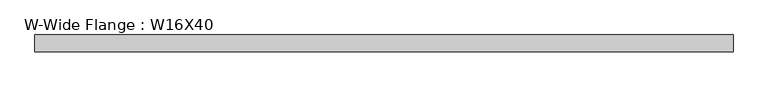
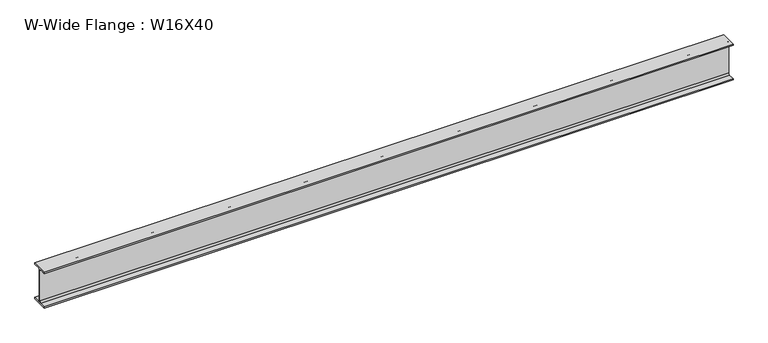
"""IFC4 building model written with IfcOpenShell, lengths in millimetres: beam geometry, W-Wide Flange : W16X40."""

from ifc_helpers import new_model, si_unit, point, frame, frame_2d, origin, place, context, project, spatial, polyline, circle_curve, trimmed, segment, composite_curve, outline, extrude, source, transform, mapped, element, save


def w_wide_flange_w16x40_504e6b34(model_context):
    return source(origin(), model_context, "Body", "SweptSolid", [
        extrude(outline(composite_curve([segment(polyline([(88.9, -190.4), (88.9, -203.2), (-88.9, -203.2), (-88.9, -190.4), (-21.25, -190.4)]), True, "CONTINUOUS"), segment(trimmed(circle_curve(frame_2d((-21.25, -173.0)), 17.4), [point((-21.25, -190.4))], [point((-3.85, -173.0))], True, "CARTESIAN"), True, "CONTINUOUS"), segment(polyline([(-3.85, -173.0), (-3.85, 173.0)]), True, "CONTINUOUS"), segment(trimmed(circle_curve(frame_2d((-21.25, 173.0)), 17.4), [point((-3.85, 173.0))], [point((-21.25, 190.4))], True, "CARTESIAN"), True, "CONTINUOUS"), segment(polyline([(-21.25, 190.4), (-88.9, 190.4), (-88.9, 203.2), (88.9, 203.2), (88.9, 190.4), (21.25, 190.4)]), True, "CONTINUOUS"), segment(trimmed(circle_curve(frame_2d((21.25, 173.0)), 17.4), [point((21.25, 190.4))], [point((3.85, 173.0))], True, "CARTESIAN"), True, "CONTINUOUS"), segment(polyline([(3.85, 173.0), (3.85, -173.0)]), True, "CONTINUOUS"), segment(trimmed(circle_curve(frame_2d((21.25, -173.0)), 17.4), [point((3.85, -173.0))], [point((21.25, -190.4))], True, "CARTESIAN"), True, "CONTINUOUS"), segment(polyline([(21.25, -190.4), (88.9, -190.4)]), True, "CONTINUOUS")], self_intersect=False)), frame((-3717.6401766, 0.0, 0.0), z_axis=(1.0, 0.0, 0.0), x_axis=(0.0, 1.0, 0.0)), (0.0, 0.0, 1.0), 7432.8684322),
    ])


if __name__ == "__main__":
    model = new_model("IFC4")
    model_context = context("Model", 3, world=origin())
    ifc_project = project(units=[si_unit("LENGTHUNIT", "METRE", prefix="MILLI")], contexts=[model_context])
    site = spatial("IfcSite", under=ifc_project)
    building = spatial("IfcBuilding", under=site)
    placement = place(None, origin())
    w_wide_flange_w16x40_shape = w_wide_flange_w16x40_504e6b34(model_context)
    element("IfcBeam", 1, ObjectType="W-Wide Flange : W16X40", at=placement, inside=building, context=model_context, shape_type="MappedRepresentation", body=[
        mapped(w_wide_flange_w16x40_shape, transform((0.0, 0.0, 0.0), x_axis=(1.0, 0.0, 0.0), y_axis=(0.0, 1.0, 0.0), z_axis=(0.0, 0.0, 1.0))),
    ])
    save(model, "model.ifc")
